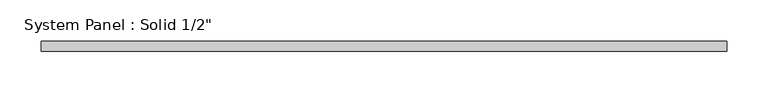
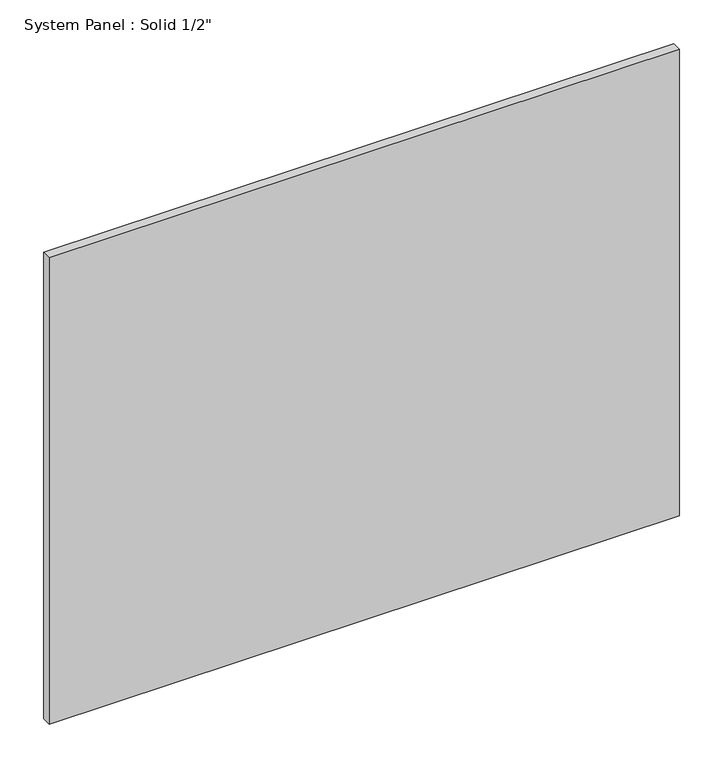
"""IFC4 building model written with IfcOpenShell, lengths in millimetres: plate geometry."""

from ifc_helpers import new_model, si_unit, origin, origin_with_axes, place, context, project, spatial, polyline, outline, extrude, source, transform, mapped, element, save


def plate_0621bc9e(model_context):
    return source(origin(), model_context, "Body", "SweptSolid", [
        extrude(outline(polyline([(418.0416667, -6.35), (-418.0416667, -6.35), (-418.0416667, 6.35), (418.0416667, 6.35), (418.0416667, -6.35)])), origin_with_axes(), (0.0, 0.0, 1.0), 654.05),
    ])


if __name__ == "__main__":
    model = new_model("IFC4")
    model_context = context("Model", 3, world=origin())
    ifc_project = project(units=[si_unit("LENGTHUNIT", "METRE", prefix="MILLI")], contexts=[model_context])
    site = spatial("IfcSite", under=ifc_project)
    building = spatial("IfcBuilding", under=site)
    placement = place(None, origin())
    plate_shape = plate_0621bc9e(model_context)
    element("IfcPlate", 1, ObjectType="System Panel : Solid 1/2\"", at=placement, inside=building, context=model_context, shape_type="MappedRepresentation", body=[
        mapped(plate_shape, transform((0.0, 0.0, 0.0), x_axis=(1.0, 0.0, 0.0), y_axis=(0.0, 1.0, 0.0), z_axis=(0.0, 0.0, 1.0))),
    ])
    save(model, "model.ifc")
